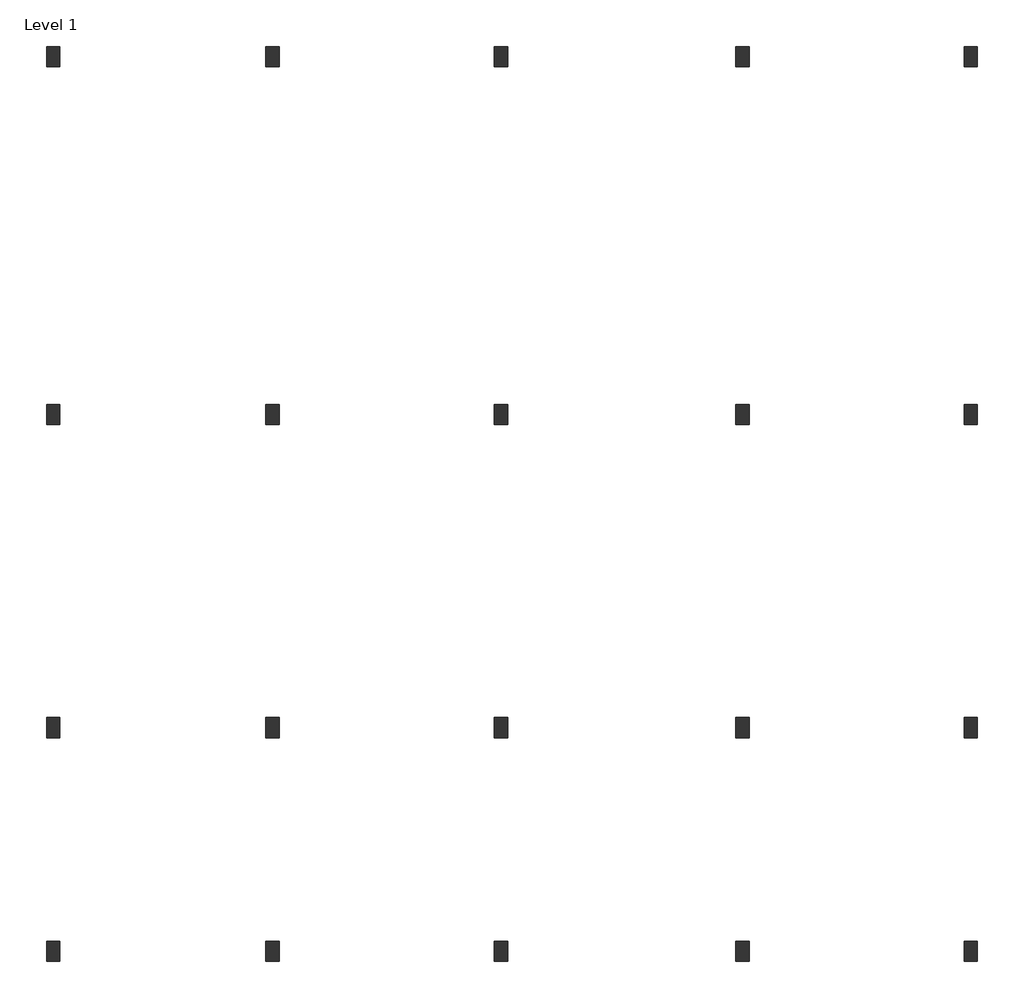
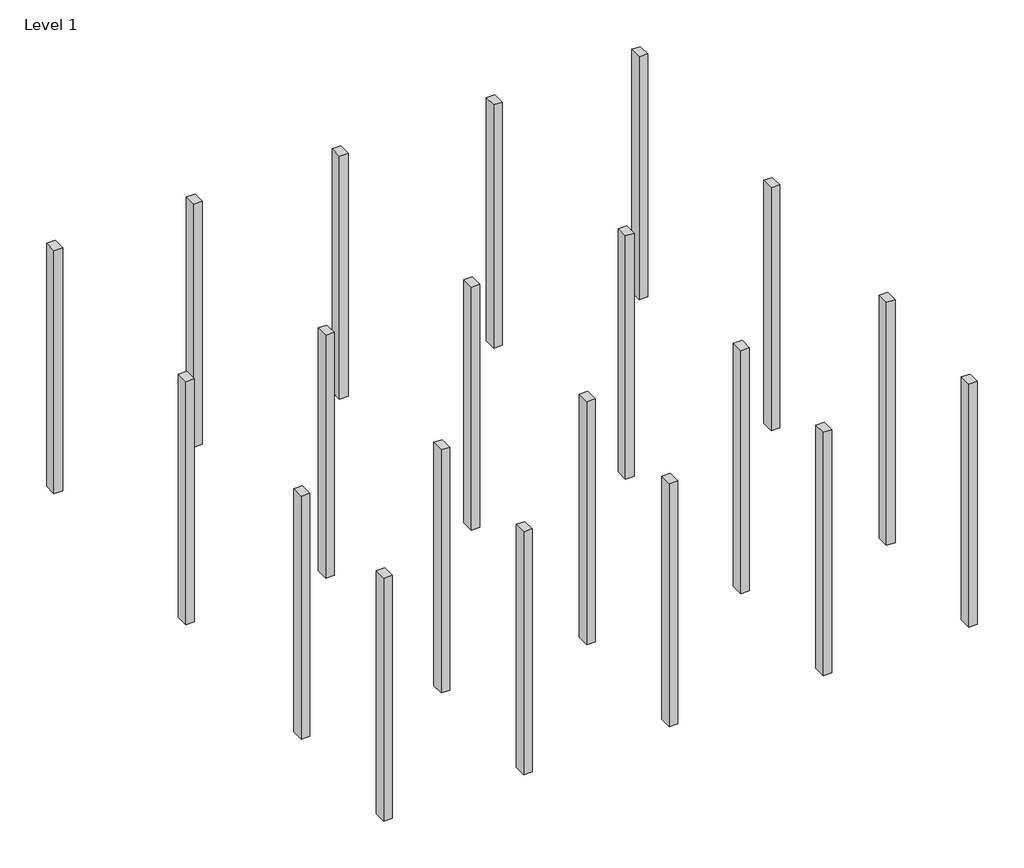
# One storey: 20 columns.
"""IFC4 building model written with IfcOpenShell, lengths in millimetres."""

from ifc_helpers import new_model, si_unit, frame, origin, place, context, project, spatial, polyline, outline, extrude, element, save

model = new_model("IFC4")

# Units and contexts
model_context = context("Model", 3, world=origin())
ifc_project = project(units=[si_unit("LENGTHUNIT", "METRE", prefix="MILLI")], contexts=[model_context])

# Site, building, storey
site = spatial("IfcSite", under=ifc_project)
building = spatial("IfcBuilding", under=site)
storey = spatial("IfcBuildingStorey", under=building, Name="Level 1", Elevation=0.0)

# Columns
placement = place(None, origin())
element("IfcColumn", 1, ObjectType="Concrete-Rectangular-Column : 300 x 450mm", at=placement, inside=storey, context=model_context, shape_type="SweptSolid", body=[
    extrude(outline(polyline([(4278.7695393, -12712.1047847), (4278.7695393, -13162.1047847), (3978.7695393, -13162.1047847), (3978.7695393, -12712.1047847), (4278.7695393, -12712.1047847)])), frame((0.0, 0.0, -2500.0), z_axis=(0.0, 0.0, 1.0), x_axis=(1.0, 0.0, 0.0)), (0.0, 0.0, 1.0), 9000.0),
])
element("IfcColumn", 2, ObjectType="Concrete-Rectangular-Column : 300 x 450mm", at=placement, inside=storey, context=model_context, shape_type="SweptSolid", body=[
    extrude(outline(polyline([(4278.7695393, -7712.1047847), (4278.7695393, -8162.1047847), (3978.7695393, -8162.1047847), (3978.7695393, -7712.1047847), (4278.7695393, -7712.1047847)])), frame((0.0, 0.0, -2500.0), z_axis=(0.0, 0.0, 1.0), x_axis=(1.0, 0.0, 0.0)), (0.0, 0.0, 1.0), 9000.0),
])
element("IfcColumn", 3, ObjectType="Concrete-Rectangular-Column : 300 x 450mm", at=placement, inside=storey, context=model_context, shape_type="SweptSolid", body=[
    extrude(outline(polyline([(4278.7695393, -712.1047847), (4278.7695393, -1162.1047847), (3978.7695393, -1162.1047847), (3978.7695393, -712.1047847), (4278.7695393, -712.1047847)])), frame((0.0, 0.0, -2500.0), z_axis=(0.0, 0.0, 1.0), x_axis=(1.0, 0.0, 0.0)), (0.0, 0.0, 1.0), 9000.0),
])
element("IfcColumn", 4, ObjectType="Concrete-Rectangular-Column : 300 x 450mm", at=placement, inside=storey, context=model_context, shape_type="SweptSolid", body=[
    extrude(outline(polyline([(4278.7695393, 7287.8952153), (4278.7695393, 6837.8952153), (3978.7695393, 6837.8952153), (3978.7695393, 7287.8952153), (4278.7695393, 7287.8952153)])), frame((0.0, 0.0, -2500.0), z_axis=(0.0, 0.0, 1.0), x_axis=(1.0, 0.0, 0.0)), (0.0, 0.0, 1.0), 9000.0),
])
element("IfcColumn", 5, ObjectType="Concrete-Rectangular-Column : 300 x 450mm", at=placement, inside=storey, context=model_context, shape_type="SweptSolid", body=[
    extrude(outline(polyline([(-821.2304607, -12712.1047847), (-821.2304607, -13162.1047847), (-1121.2304607, -13162.1047847), (-1121.2304607, -12712.1047847), (-821.2304607, -12712.1047847)])), frame((0.0, 0.0, -2500.0), z_axis=(0.0, 0.0, 1.0), x_axis=(1.0, 0.0, 0.0)), (0.0, 0.0, 1.0), 9000.0),
])
element("IfcColumn", 6, ObjectType="Concrete-Rectangular-Column : 300 x 450mm", at=placement, inside=storey, context=model_context, shape_type="SweptSolid", body=[
    extrude(outline(polyline([(-821.2304607, -7712.1047847), (-821.2304607, -8162.1047847), (-1121.2304607, -8162.1047847), (-1121.2304607, -7712.1047847), (-821.2304607, -7712.1047847)])), frame((0.0, 0.0, -2500.0), z_axis=(0.0, 0.0, 1.0), x_axis=(1.0, 0.0, 0.0)), (0.0, 0.0, 1.0), 9000.0),
])
element("IfcColumn", 7, ObjectType="Concrete-Rectangular-Column : 300 x 450mm", at=placement, inside=storey, context=model_context, shape_type="SweptSolid", body=[
    extrude(outline(polyline([(-821.2304607, -712.1047847), (-821.2304607, -1162.1047847), (-1121.2304607, -1162.1047847), (-1121.2304607, -712.1047847), (-821.2304607, -712.1047847)])), frame((0.0, 0.0, -2500.0), z_axis=(0.0, 0.0, 1.0), x_axis=(1.0, 0.0, 0.0)), (0.0, 0.0, 1.0), 9000.0),
])
element("IfcColumn", 8, ObjectType="Concrete-Rectangular-Column : 300 x 450mm", at=placement, inside=storey, context=model_context, shape_type="SweptSolid", body=[
    extrude(outline(polyline([(-821.2304607, 7287.8952153), (-821.2304607, 6837.8952153), (-1121.2304607, 6837.8952153), (-1121.2304607, 7287.8952153), (-821.2304607, 7287.8952153)])), frame((0.0, 0.0, -2500.0), z_axis=(0.0, 0.0, 1.0), x_axis=(1.0, 0.0, 0.0)), (0.0, 0.0, 1.0), 9000.0),
])
element("IfcColumn", 9, ObjectType="Concrete-Rectangular-Column : 300 x 450mm", at=placement, inside=storey, context=model_context, shape_type="SweptSolid", body=[
    extrude(outline(polyline([(-6221.2304607, -12712.1047847), (-6221.2304607, -13162.1047847), (-6521.2304607, -13162.1047847), (-6521.2304607, -12712.1047847), (-6221.2304607, -12712.1047847)])), frame((0.0, 0.0, -2500.0), z_axis=(0.0, 0.0, 1.0), x_axis=(1.0, 0.0, 0.0)), (0.0, 0.0, 1.0), 9000.0),
])
element("IfcColumn", 10, ObjectType="Concrete-Rectangular-Column : 300 x 450mm", at=placement, inside=storey, context=model_context, shape_type="SweptSolid", body=[
    extrude(outline(polyline([(-6221.2304607, -7712.1047847), (-6221.2304607, -8162.1047847), (-6521.2304607, -8162.1047847), (-6521.2304607, -7712.1047847), (-6221.2304607, -7712.1047847)])), frame((0.0, 0.0, -2500.0), z_axis=(0.0, 0.0, 1.0), x_axis=(1.0, 0.0, 0.0)), (0.0, 0.0, 1.0), 9000.0),
])
element("IfcColumn", 11, ObjectType="Concrete-Rectangular-Column : 300 x 450mm", at=placement, inside=storey, context=model_context, shape_type="SweptSolid", body=[
    extrude(outline(polyline([(-6221.2304607, -712.1047847), (-6221.2304607, -1162.1047847), (-6521.2304607, -1162.1047847), (-6521.2304607, -712.1047847), (-6221.2304607, -712.1047847)])), frame((0.0, 0.0, -2500.0), z_axis=(0.0, 0.0, 1.0), x_axis=(1.0, 0.0, 0.0)), (0.0, 0.0, 1.0), 9000.0),
])
element("IfcColumn", 12, ObjectType="Concrete-Rectangular-Column : 300 x 450mm", at=placement, inside=storey, context=model_context, shape_type="SweptSolid", body=[
    extrude(outline(polyline([(-6221.2304607, 7287.8952153), (-6221.2304607, 6837.8952153), (-6521.2304607, 6837.8952153), (-6521.2304607, 7287.8952153), (-6221.2304607, 7287.8952153)])), frame((0.0, 0.0, -2500.0), z_axis=(0.0, 0.0, 1.0), x_axis=(1.0, 0.0, 0.0)), (0.0, 0.0, 1.0), 9000.0),
])
element("IfcColumn", 13, ObjectType="Concrete-Rectangular-Column : 300 x 450mm", at=placement, inside=storey, context=model_context, shape_type="SweptSolid", body=[
    extrude(outline(polyline([(-16221.2304607, -12712.1047847), (-16221.2304607, -13162.1047847), (-16521.2304607, -13162.1047847), (-16521.2304607, -12712.1047847), (-16221.2304607, -12712.1047847)])), frame((0.0, 0.0, -2500.0), z_axis=(0.0, 0.0, 1.0), x_axis=(1.0, 0.0, 0.0)), (0.0, 0.0, 1.0), 9000.0),
])
element("IfcColumn", 14, ObjectType="Concrete-Rectangular-Column : 300 x 450mm", at=placement, inside=storey, context=model_context, shape_type="SweptSolid", body=[
    extrude(outline(polyline([(-16221.2304607, -7712.1047847), (-16221.2304607, -8162.1047847), (-16521.2304607, -8162.1047847), (-16521.2304607, -7712.1047847), (-16221.2304607, -7712.1047847)])), frame((0.0, 0.0, -2500.0), z_axis=(0.0, 0.0, 1.0), x_axis=(1.0, 0.0, 0.0)), (0.0, 0.0, 1.0), 9000.0),
])
element("IfcColumn", 15, ObjectType="Concrete-Rectangular-Column : 300 x 450mm", at=placement, inside=storey, context=model_context, shape_type="SweptSolid", body=[
    extrude(outline(polyline([(-16221.2304607, -712.1047847), (-16221.2304607, -1162.1047847), (-16521.2304607, -1162.1047847), (-16521.2304607, -712.1047847), (-16221.2304607, -712.1047847)])), frame((0.0, 0.0, -2500.0), z_axis=(0.0, 0.0, 1.0), x_axis=(1.0, 0.0, 0.0)), (0.0, 0.0, 1.0), 9000.0),
])
element("IfcColumn", 16, ObjectType="Concrete-Rectangular-Column : 300 x 450mm", at=placement, inside=storey, context=model_context, shape_type="SweptSolid", body=[
    extrude(outline(polyline([(-16221.2304607, 7287.8952153), (-16221.2304607, 6837.8952153), (-16521.2304607, 6837.8952153), (-16521.2304607, 7287.8952153), (-16221.2304607, 7287.8952153)])), frame((0.0, 0.0, -2500.0), z_axis=(0.0, 0.0, 1.0), x_axis=(1.0, 0.0, 0.0)), (0.0, 0.0, 1.0), 9000.0),
])
element("IfcColumn", 17, ObjectType="Concrete-Rectangular-Column : 300 x 450mm", at=placement, inside=storey, context=model_context, shape_type="SweptSolid", body=[
    extrude(outline(polyline([(-11321.2304607, -712.1047847), (-11321.2304607, -1162.1047847), (-11621.2304607, -1162.1047847), (-11621.2304607, -712.1047847), (-11321.2304607, -712.1047847)])), frame((0.0, 0.0, -2500.0), z_axis=(0.0, 0.0, 1.0), x_axis=(1.0, 0.0, 0.0)), (0.0, 0.0, 1.0), 9000.0),
])
element("IfcColumn", 18, ObjectType="Concrete-Rectangular-Column : 300 x 450mm", at=placement, inside=storey, context=model_context, shape_type="SweptSolid", body=[
    extrude(outline(polyline([(-11321.2304607, 7287.8952153), (-11321.2304607, 6837.8952153), (-11621.2304607, 6837.8952153), (-11621.2304607, 7287.8952153), (-11321.2304607, 7287.8952153)])), frame((0.0, 0.0, -2500.0), z_axis=(0.0, 0.0, 1.0), x_axis=(1.0, 0.0, 0.0)), (0.0, 0.0, 1.0), 9000.0),
])
element("IfcColumn", 19, ObjectType="Concrete-Rectangular-Column : 300 x 450mm", at=placement, inside=storey, context=model_context, shape_type="SweptSolid", body=[
    extrude(outline(polyline([(-11321.2304607, -7712.1047847), (-11321.2304607, -8162.1047847), (-11621.2304607, -8162.1047847), (-11621.2304607, -7712.1047847), (-11321.2304607, -7712.1047847)])), frame((0.0, 0.0, -2500.0), z_axis=(0.0, 0.0, 1.0), x_axis=(1.0, 0.0, 0.0)), (0.0, 0.0, 1.0), 9000.0),
])
element("IfcColumn", 20, ObjectType="Concrete-Rectangular-Column : 300 x 450mm", at=placement, inside=storey, context=model_context, shape_type="SweptSolid", body=[
    extrude(outline(polyline([(-11321.2304607, -12712.1047847), (-11321.2304607, -13162.1047847), (-11621.2304607, -13162.1047847), (-11621.2304607, -12712.1047847), (-11321.2304607, -12712.1047847)])), frame((0.0, 0.0, -2500.0), z_axis=(0.0, 0.0, 1.0), x_axis=(1.0, 0.0, 0.0)), (0.0, 0.0, 1.0), 9000.0),
])

save(model, "model.ifc")
